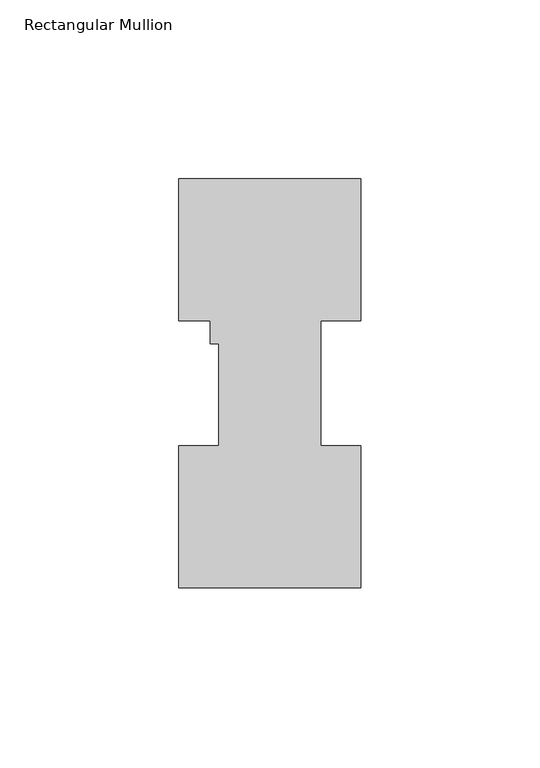
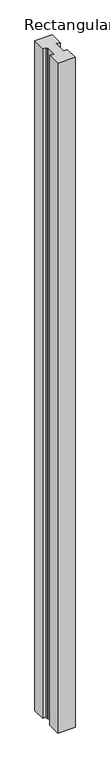
"""IFC4 building model written with IfcOpenShell, lengths in millimetres: member geometry, Rectangular Mullion."""

import ifcopenshell
import ifcopenshell.guid

model = None  # the IFC model being written
_history = None  # IfcOwnerHistory: only IFC2X3 demands one
_inside = {}  # id of a spatial element -> (the spatial element, [elements in it])
_under = {}  # id of a project, library or spatial element -> (it, [spatial elements below it])
_declared = {}  # id of a project -> (the project, [libraries it declares])
_typed = {}  # id of a type object -> (the type object, [elements of that type])
_made_of = {}  # id of a material, layer set ... -> (it, [elements and type objects made of it])


def new_model(schema):
    """Start an empty IFC model of exactly this schema.

    Asked for "IFC4X3", IfcOpenShell would pick the latest addendum, in which some entities
    have other attributes; the version numbers below select the first issue.
    IFC2X3 requires an IfcOwnerHistory on every rooted entity: one is made here for all.
    """
    global model, _history
    if schema == "IFC4X3":
        model = ifcopenshell.file(schema_version=(4, 3, 0, 0))
    else:
        model = ifcopenshell.file(schema=schema)
    _inside.clear()
    _under.clear()
    _declared.clear()
    _typed.clear()
    _made_of.clear()
    _history = None
    if model.schema == "IFC2X3":
        org = make("IfcOrganization", Name="unknown")
        user = make(
            "IfcPersonAndOrganization",
            ThePerson=make("IfcPerson", FamilyName="unknown"),
            TheOrganization=org,
        )
        app = make(
            "IfcApplication",
            ApplicationDeveloper=org,
            Version="unknown",
            ApplicationFullName="unknown",
            ApplicationIdentifier="unknown",
        )
        _history = make(
            "IfcOwnerHistory",
            OwningUser=user,
            OwningApplication=app,
            ChangeAction="ADDED",
            CreationDate=0,
        )
    return model


def make(cls, **values):
    """One entity of the class cls with the attributes given. An attribute that is None is left unset."""
    return model.create_entity(
        cls, **{name: value for name, value in values.items() if value is not None}
    )


def rooted(cls, **values):
    """An entity with a GlobalId (a new one), such as an element, a storey or a relation."""
    return make(cls, GlobalId=ifcopenshell.guid.new(), OwnerHistory=_history, **values)


def si_unit(unit_type, name, prefix=None):
    """IfcSIUnit, for example si_unit("LENGTHUNIT", "METRE", prefix="MILLI")."""
    return make("IfcSIUnit", UnitType=unit_type, Prefix=prefix, Name=name)


def assignment(units):
    """IfcUnitAssignment: the units of a project."""
    return None if units is None else make("IfcUnitAssignment", Units=units)


def point(xyz):
    """IfcCartesianPoint."""
    return None if xyz is None else make("IfcCartesianPoint", Coordinates=xyz)


def direction(xyz):
    """IfcDirection."""
    return None if xyz is None else make("IfcDirection", DirectionRatios=xyz)


def frame(location, z_axis=None, x_axis=None):
    """IfcAxis2Placement3D, a coordinate frame: its origin and axes. An axis left out is left unset."""
    return make(
        "IfcAxis2Placement3D",
        Location=point(location),
        Axis=direction(z_axis),
        RefDirection=direction(x_axis),
    )


def origin():
    """The frame at (0, 0, 0) with its axes left unset."""
    return frame((0.0, 0.0, 0.0))


def place(relative_to, where):
    """IfcLocalPlacement: puts the frame where relative to a parent placement (None: the world)."""
    return make(
        "IfcLocalPlacement", PlacementRelTo=relative_to, RelativePlacement=where
    )


def context(
    kind, dimensions, precision=None, world=None, true_north=None, identifier=None
):
    """IfcGeometricRepresentationContext, for example the 3D "Model" context."""
    return make(
        "IfcGeometricRepresentationContext",
        ContextIdentifier=identifier,
        ContextType=kind,
        CoordinateSpaceDimension=dimensions,
        Precision=precision,
        WorldCoordinateSystem=world,
        TrueNorth=true_north,
    )


def project(units=None, contexts=None):
    """IfcProject with its units and contexts."""
    return rooted(
        "IfcProject",
        Name="project",
        RepresentationContexts=contexts,
        UnitsInContext=assignment(units),
    )


def spatial(cls, under=None, at=None, **own):
    """A site, building, storey or space (cls), placed at a placement, below another one or the project."""
    s = rooted(cls, ObjectPlacement=at, **own)
    if under is not None:
        _under.setdefault(under.id(), (under, []))[1].append(s)
    return s


def polyline(points):
    """IfcPolyline through the points."""
    return make("IfcPolyline", Points=[point(p) for p in points])


def outline(outer, holes=None, kind="AREA"):
    """IfcArbitraryClosedProfileDef: a profile drawn as a closed curve; with holes, ...WithVoids."""
    if holes is None:
        return make("IfcArbitraryClosedProfileDef", ProfileType=kind, OuterCurve=outer)
    return make(
        "IfcArbitraryProfileDefWithVoids",
        ProfileType=kind,
        OuterCurve=outer,
        InnerCurves=holes,
    )


def extrude(swept, where, along, depth):
    """IfcExtrudedAreaSolid: the profile swept, set in the frame where, extruded along a direction by depth."""
    return make(
        "IfcExtrudedAreaSolid",
        SweptArea=swept,
        Position=where,
        ExtrudedDirection=direction(along),
        Depth=depth,
    )


def shape(context_of_items, identifier, shape_type, items):
    """IfcShapeRepresentation: the items that make up one representation, for example the "Body"."""
    return make(
        "IfcShapeRepresentation",
        ContextOfItems=context_of_items,
        RepresentationIdentifier=identifier,
        RepresentationType=shape_type,
        Items=items,
    )


def source(mapping_origin, context_of_items, identifier, shape_type, items):
    """IfcRepresentationMap: a shape defined once, which mapped items show again and again."""
    return make(
        "IfcRepresentationMap",
        MappingOrigin=mapping_origin,
        MappedRepresentation=shape(context_of_items, identifier, shape_type, items),
    )


def transform(
    local_origin,
    x_axis=None,
    y_axis=None,
    z_axis=None,
    scale=None,
    scale2=None,
    scale3=None,
    uniform=True,
):
    """IfcCartesianTransformationOperator3D, or its non-uniform kind. x_axis, y_axis, z_axis: its Axis1, 2, 3."""
    if uniform:
        return make(
            "IfcCartesianTransformationOperator3D",
            Axis1=direction(x_axis),
            Axis2=direction(y_axis),
            LocalOrigin=point(local_origin),
            Scale=scale,
            Axis3=direction(z_axis),
        )
    return make(
        "IfcCartesianTransformationOperator3DnonUniform",
        Axis1=direction(x_axis),
        Axis2=direction(y_axis),
        LocalOrigin=point(local_origin),
        Scale=scale,
        Axis3=direction(z_axis),
        Scale2=scale2,
        Scale3=scale3,
    )


def mapped(mapping_source, mapping_target):
    """IfcMappedItem: shows the shape of a source again, moved by a transform."""
    return make(
        "IfcMappedItem", MappingSource=mapping_source, MappingTarget=mapping_target
    )


def made_of(thing, what):
    """Note that an element or type object is made of a material, layer set ...; save() writes the relation."""
    if what is not None:
        _made_of.setdefault(what.id(), (what, []))[1].append(thing)
    return thing


def element(
    cls,
    number,
    at=None,
    inside=None,
    cuts=None,
    type_object=None,
    material=None,
    context=None,
    identifier="Body",
    shape_type=None,
    held_by="IfcProductDefinitionShape",
    body=None,
    shapes=None,
    **own,
):
    """One element of the class cls, such as IfcWall. Its Tag is "e" and its number.

    at: its placement. inside: the storey or other place that contains it. cuts: it is an
    opening in that element (IfcRelVoidsElement). A single representation is given by context,
    identifier, shape_type and body (its items); several are given by shapes. held_by: the class
    of the entity that holds the representations. save() writes the other relations.
    """
    e = rooted(cls, Tag="e%d" % number, ObjectPlacement=at, **own)
    if body is not None:
        shapes = [shape(context, identifier, shape_type, body)]
    if shapes is not None:
        e.Representation = make(held_by, Representations=shapes)
    if inside is not None:
        _inside.setdefault(inside.id(), (inside, []))[1].append(e)
    if cuts is not None:
        rooted(
            "IfcRelVoidsElement", RelatingBuildingElement=cuts, RelatedOpeningElement=e
        )
    if type_object is not None:
        _typed.setdefault(type_object.id(), (type_object, []))[1].append(e)
    return made_of(e, material)


def aggregate(whole, parts):
    """IfcRelAggregates: a whole, such as a stair, and the parts it consists of."""
    return rooted("IfcRelAggregates", RelatingObject=whole, RelatedObjects=parts)


def save(model, path):
    """Write the relations noted so far, then the file.

    IfcRelAggregates (storeys below a building ...), IfcRelContainedInSpatialStructure (elements
    in a storey), IfcRelDefinesByType, IfcRelAssociatesMaterial and IfcRelDeclares: one each for
    every whole, place, type object, material and project.
    """
    for whole, parts in _under.values():
        aggregate(whole, parts)
    for where, things in _inside.values():
        rooted(
            "IfcRelContainedInSpatialStructure",
            RelatedElements=things,
            RelatingStructure=where,
        )
    for kind, things in _typed.values():
        rooted("IfcRelDefinesByType", RelatedObjects=things, RelatingType=kind)
    for what, things in _made_of.values():
        rooted("IfcRelAssociatesMaterial", RelatedObjects=things, RelatingMaterial=what)
    for by, libraries in _declared.values():
        rooted("IfcRelDeclares", RelatingContext=by, RelatedDefinitions=libraries)
    model.write(path)


def rectangular_mullion_64711c7a(model_context):
    return source(origin(), model_context, "Body", "SweptSolid", [
        extrude(outline(polyline([(25.4, 114.271425), (25.4, 74.596625), (14.2875, 74.596625), (14.2875, 39.646225), (25.4, 39.646225), (25.4, -0.028575), (-25.4, -0.028575), (-25.4, 39.646225), (-14.2875, 39.646225), (-14.2875, 68.246625), (-16.6624, 68.246625), (-16.6624, 74.596625), (-25.4, 74.596625), (-25.4, 114.271425), (25.4, 114.271425)])), frame((0.0, 0.0, -2060.575), z_axis=(0.0, 0.0, 1.0), x_axis=(1.0, 0.0, 0.0)), (0.0, 0.0, 1.0), 2060.575),
    ])


if __name__ == "__main__":
    model = new_model("IFC4")
    model_context = context("Model", 3, world=origin())
    ifc_project = project(units=[si_unit("LENGTHUNIT", "METRE", prefix="MILLI")], contexts=[model_context])
    site = spatial("IfcSite", under=ifc_project)
    building = spatial("IfcBuilding", under=site)
    placement = place(None, origin())
    rectangular_mullion_shape = rectangular_mullion_64711c7a(model_context)
    element("IfcMember", 1, ObjectType="Rectangular Mullion", at=placement, inside=building, context=model_context, shape_type="MappedRepresentation", body=[
        mapped(rectangular_mullion_shape, transform((0.0, 0.0, 0.0), x_axis=(1.0, 0.0, 0.0), y_axis=(0.0, 1.0, 0.0), z_axis=(0.0, 0.0, 1.0))),
    ])
    save(model, "model.ifc")
